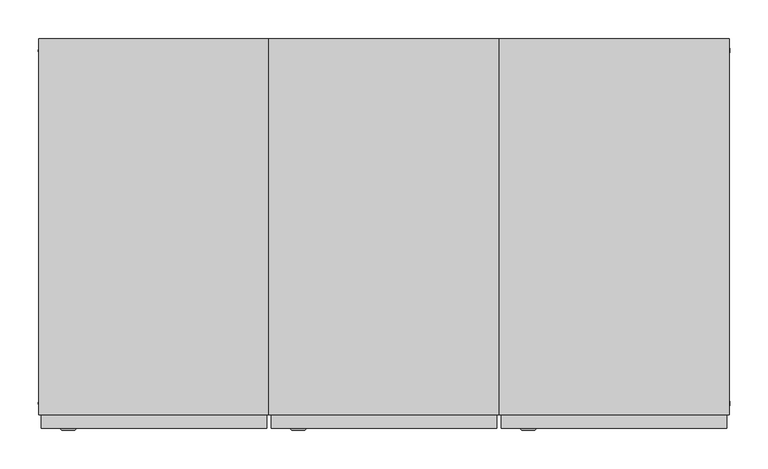
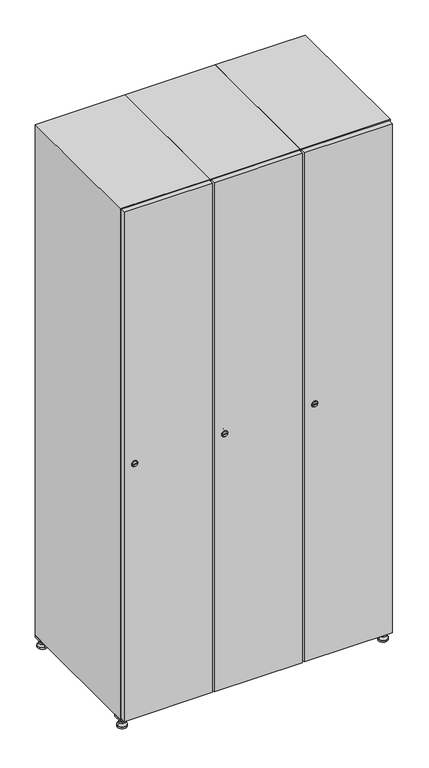
"""IFC4 building model written with IfcOpenShell, lengths in millimetres: furniture geometry."""

from ifc_helpers import new_model, si_unit, point, frame, frame_2d, origin, origin_with_axes, place, context, project, spatial, polyline, circle_curve, trimmed, segment, composite_curve, outline, extrude, faceted_brep, source, transform, mapped, element, save
from ifc_brep_helpers import plane_surface, revolved_surface, advanced_brep


def furniture_101e5d37(model_context):
    return source(origin(), model_context, "Body", "SolidModel", [
        extrude(outline(polyline([(700.0, 245.0), (700.0, 215.0), (670.0, 215.0), (670.0, 245.0), (700.0, 245.0)]), holes=[polyline([(698.0, 243.0), (672.0, 243.0), (672.0, 217.0), (698.0, 217.0), (698.0, 243.0)])]), frame((0.0, 0.0, 28.5), z_axis=(0.0, 0.0, 1.0), x_axis=(1.0, 0.0, 0.0)), (0.0, 0.0, 1.0), 6.5),
        extrude(outline(polyline([(670.0, -245.0), (670.0, -215.0), (700.0, -215.0), (700.0, -245.0), (670.0, -245.0)]), holes=[polyline([(672.0, -243.0), (698.0, -243.0), (698.0, -217.0), (672.0, -217.0), (672.0, -243.0)])]), frame((0.0, 0.0, 28.5), z_axis=(0.0, 0.0, 1.0), x_axis=(1.0, 0.0, 0.0)), (0.0, 0.0, 1.0), 6.5),
        extrude(outline(polyline([(-170.0, 245.0), (-170.0, 215.0), (-200.0, 215.0), (-200.0, 245.0), (-170.0, 245.0)]), holes=[polyline([(-172.0, 243.0), (-198.0, 243.0), (-198.0, 217.0), (-172.0, 217.0), (-172.0, 243.0)])]), frame((0.0, 0.0, 28.5), z_axis=(0.0, 0.0, 1.0), x_axis=(1.0, 0.0, 0.0)), (0.0, 0.0, 1.0), 6.5),
        extrude(outline(polyline([(-170.0, -215.0), (-170.0, -245.0), (-200.0, -245.0), (-200.0, -215.0), (-170.0, -215.0)]), holes=[polyline([(-198.0, -243.0), (-172.0, -243.0), (-172.0, -217.0), (-198.0, -217.0), (-198.0, -243.0)])]), frame((0.0, 0.0, 28.5), z_axis=(0.0, 0.0, 1.0), x_axis=(1.0, 0.0, 0.0)), (0.0, 0.0, 1.0), 6.5),
        extrude(outline(composite_curve([segment(trimmed(circle_curve(frame_2d((-185.0, 230.0)), 5.0), [point((-180.0, 230.0))], [point((-190.0, 230.0))], False, "CARTESIAN"), True, "CONTINUOUS"), segment(trimmed(circle_curve(frame_2d((-185.0, 230.0)), 5.0), [point((-190.0, 230.0))], [point((-180.0, 230.0))], False, "CARTESIAN"), True, "CONTINUOUS")], self_intersect=False)), frame((0.0, 0.0, 19.6), z_axis=(0.0, 0.0, 1.0), x_axis=(1.0, 0.0, 0.0)), (0.0, 0.0, 1.0), 15.4),
        extrude(outline(composite_curve([segment(trimmed(circle_curve(frame_2d((-185.0, -230.0)), 5.0), [point((-180.0, -230.0))], [point((-190.0, -230.0))], False, "CARTESIAN"), True, "CONTINUOUS"), segment(trimmed(circle_curve(frame_2d((-185.0, -230.0)), 5.0), [point((-190.0, -230.0))], [point((-180.0, -230.0))], False, "CARTESIAN"), True, "CONTINUOUS")], self_intersect=False)), frame((0.0, 0.0, 19.6), z_axis=(0.0, 0.0, 1.0), x_axis=(1.0, 0.0, 0.0)), (0.0, 0.0, 1.0), 15.4),
        extrude(outline(composite_curve([segment(trimmed(circle_curve(frame_2d((685.0, 230.0)), 5.0), [point((690.0, 230.0))], [point((680.0, 230.0))], False, "CARTESIAN"), True, "CONTINUOUS"), segment(trimmed(circle_curve(frame_2d((685.0, 230.0)), 5.0), [point((680.0, 230.0))], [point((690.0, 230.0))], False, "CARTESIAN"), True, "CONTINUOUS")], self_intersect=False)), frame((0.0, 0.0, 19.6), z_axis=(0.0, 0.0, 1.0), x_axis=(1.0, 0.0, 0.0)), (0.0, 0.0, 1.0), 15.4),
        extrude(outline(polyline([(673.4529946, 230.0), (679.2264973, 240.0), (690.7735027, 240.0), (696.5470054, 230.0), (690.7735027, 220.0), (679.2264973, 220.0), (673.4529946, 230.0)])), frame((0.0, 0.0, 13.6), z_axis=(0.0, 0.0, 1.0), x_axis=(1.0, 0.0, 0.0)), (0.0, 0.0, 1.0), 6.0),
        extrude(outline(composite_curve([segment(trimmed(circle_curve(frame_2d((685.0, -230.0)), 5.0), [point((690.0, -230.0))], [point((680.0, -230.0))], False, "CARTESIAN"), True, "CONTINUOUS"), segment(trimmed(circle_curve(frame_2d((685.0, -230.0)), 5.0), [point((680.0, -230.0))], [point((690.0, -230.0))], False, "CARTESIAN"), True, "CONTINUOUS")], self_intersect=False)), frame((0.0, 0.0, 19.6), z_axis=(0.0, 0.0, 1.0), x_axis=(1.0, 0.0, 0.0)), (0.0, 0.0, 1.0), 15.4),
        extrude(outline(polyline([(673.4529946, -230.0), (679.2264973, -220.0), (690.7735027, -220.0), (696.5470054, -230.0), (690.7735027, -240.0), (679.2264973, -240.0), (673.4529946, -230.0)])), frame((0.0, 0.0, 13.6), z_axis=(0.0, 0.0, 1.0), x_axis=(1.0, 0.0, 0.0)), (0.0, 0.0, 1.0), 6.0),
        extrude(outline(composite_curve([segment(trimmed(circle_curve(frame_2d((685.0, 230.0)), 5.0), [point((690.0, 230.0))], [point((680.0, 230.0))], False, "CARTESIAN"), True, "CONTINUOUS"), segment(trimmed(circle_curve(frame_2d((685.0, 230.0)), 5.0), [point((680.0, 230.0))], [point((690.0, 230.0))], False, "CARTESIAN"), True, "CONTINUOUS")], self_intersect=False)), frame((0.0, 0.0, 12.1), z_axis=(0.0, 0.0, 1.0), x_axis=(1.0, 0.0, 0.0)), (0.0, 0.0, 1.0), 1.5),
        extrude(outline(composite_curve([segment(trimmed(circle_curve(frame_2d((685.0, -230.0)), 5.0), [point((690.0, -230.0))], [point((680.0, -230.0))], False, "CARTESIAN"), True, "CONTINUOUS"), segment(trimmed(circle_curve(frame_2d((685.0, -230.0)), 5.0), [point((680.0, -230.0))], [point((690.0, -230.0))], False, "CARTESIAN"), True, "CONTINUOUS")], self_intersect=False)), frame((0.0, 0.0, 12.1), z_axis=(0.0, 0.0, 1.0), x_axis=(1.0, 0.0, 0.0)), (0.0, 0.0, 1.0), 1.5),
        extrude(outline(polyline([(-196.5470054, 230.0), (-190.7735027, 240.0), (-179.2264973, 240.0), (-173.4529946, 230.0), (-179.2264973, 220.0), (-190.7735027, 220.0), (-196.5470054, 230.0)])), frame((0.0, 0.0, 13.6), z_axis=(0.0, 0.0, 1.0), x_axis=(1.0, 0.0, 0.0)), (0.0, 0.0, 1.0), 6.0),
        extrude(outline(polyline([(-196.5470054, -230.0), (-190.7735027, -220.0), (-179.2264973, -220.0), (-173.4529946, -230.0), (-179.2264973, -240.0), (-190.7735027, -240.0), (-196.5470054, -230.0)])), frame((0.0, 0.0, 13.6), z_axis=(0.0, 0.0, 1.0), x_axis=(1.0, 0.0, 0.0)), (0.0, 0.0, 1.0), 6.0),
        extrude(outline(composite_curve([segment(trimmed(circle_curve(frame_2d((-185.0, 230.0)), 5.0), [point((-185.0, 235.0))], [point((-185.0, 225.0))], False, "CARTESIAN"), True, "CONTINUOUS"), segment(trimmed(circle_curve(frame_2d((-185.0, 230.0)), 5.0), [point((-185.0, 225.0))], [point((-185.0, 235.0))], False, "CARTESIAN"), True, "CONTINUOUS")], self_intersect=False)), frame((0.0, 0.0, 12.1), z_axis=(0.0, 0.0, 1.0), x_axis=(1.0, 0.0, 0.0)), (0.0, 0.0, 1.0), 1.5),
        extrude(outline(composite_curve([segment(trimmed(circle_curve(frame_2d((-185.0, -230.0)), 5.0), [point((-180.0, -230.0))], [point((-190.0, -230.0))], False, "CARTESIAN"), True, "CONTINUOUS"), segment(trimmed(circle_curve(frame_2d((-185.0, -230.0)), 5.0), [point((-190.0, -230.0))], [point((-180.0, -230.0))], False, "CARTESIAN"), True, "CONTINUOUS")], self_intersect=False)), frame((0.0, 0.0, 12.1), z_axis=(0.0, 0.0, 1.0), x_axis=(1.0, 0.0, 0.0)), (0.0, 0.0, 1.0), 1.5),
        extrude(outline(composite_curve([segment(trimmed(circle_curve(frame_2d((685.0, 230.0)), 15.75), [point((700.75, 230.0))], [point((669.25, 230.0))], False, "CARTESIAN"), True, "CONTINUOUS"), segment(trimmed(circle_curve(frame_2d((685.0, 230.0)), 15.75), [point((669.25, 230.0))], [point((700.75, 230.0))], False, "CARTESIAN"), True, "CONTINUOUS")], self_intersect=False)), origin_with_axes(), (0.0, 0.0, 1.0), 5.1),
        extrude(outline(composite_curve([segment(trimmed(circle_curve(frame_2d((685.0, -230.0)), 15.75), [point((685.0, -214.25))], [point((685.0, -245.75))], False, "CARTESIAN"), True, "CONTINUOUS"), segment(trimmed(circle_curve(frame_2d((685.0, -230.0)), 15.75), [point((685.0, -245.75))], [point((685.0, -214.25))], False, "CARTESIAN"), True, "CONTINUOUS")], self_intersect=False)), origin_with_axes(), (0.0, 0.0, 1.0), 5.1),
        extrude(outline(composite_curve([segment(trimmed(circle_curve(frame_2d((-185.0, -230.0)), 15.75), [point((-169.25, -230.0))], [point((-200.75, -230.0))], False, "CARTESIAN"), True, "CONTINUOUS"), segment(trimmed(circle_curve(frame_2d((-185.0, -230.0)), 15.75), [point((-200.75, -230.0))], [point((-169.25, -230.0))], False, "CARTESIAN"), True, "CONTINUOUS")], self_intersect=False)), origin_with_axes(), (0.0, 0.0, 1.0), 5.1),
        extrude(outline(composite_curve([segment(trimmed(circle_curve(frame_2d((-185.0, 230.0)), 15.75), [point((-169.25, 230.0))], [point((-200.75, 230.0))], False, "CARTESIAN"), True, "CONTINUOUS"), segment(trimmed(circle_curve(frame_2d((-185.0, 230.0)), 15.75), [point((-200.75, 230.0))], [point((-169.25, 230.0))], False, "CARTESIAN"), True, "CONTINUOUS")], self_intersect=False)), origin_with_axes(), (0.0, 0.0, 1.0), 5.1),
        advanced_brep(
        [(-185.0, 239.5, 12.1), (-185.0, 220.5, 12.1), (-185.0, 214.25, 5.1), (-185.0, 245.75, 5.1)],
        [
            (0, 1, circle_curve(frame((-185.0, 230.0, 12.1), z_axis=(0.0, 0.0, -1.0), x_axis=(0.0, 1.0, 0.0)), 9.5)),
            (1, 2),
            (2, 3, circle_curve(frame((-185.0, 230.0, 5.1), z_axis=(0.0, 0.0, 1.0), x_axis=(0.0, 1.0, 0.0)), 15.75)),
            (3, 0),
            (1, 0, circle_curve(frame((-185.0, 230.0, 12.1), z_axis=(0.0, 0.0, -1.0), x_axis=(0.0, -1.0, 0.0)), 9.5)),
            (3, 2, circle_curve(frame((-185.0, 230.0, 5.1), z_axis=(0.0, 0.0, 1.0), x_axis=(0.0, -1.0, 0.0)), 15.75)),
        ],
        [
            revolved_surface(polyline([(-185.0, 220.5, 12.099999999999998), (-185.0, 214.25, 5.099999999999998)]), (-185.0, 230.0, 22.74), (0.0, 0.0, -1.0)),
            revolved_surface(polyline([(-185.0, 239.5, 12.099999999999998), (-185.0, 245.75, 5.099999999999998)]), (-185.0, 230.0, 22.74), (0.0, 0.0, -1.0)),
            plane_surface(frame((-185.0, 230.0, 5.1), z_axis=(0.0, 0.0, -1.0), x_axis=(1.0, 0.0, 0.0))),
            plane_surface(frame((-185.0, 230.0, 12.1), z_axis=(0.0, 0.0, 1.0), x_axis=(1.0, 0.0, 0.0))),
        ],
        [
            (0, [[1, 2, 3, 4]]),
            (1, [[5, -4, 6, -2]]),
            (2, [[-3, -6]]),
            (3, [[-5, -1]]),
        ],
    ),
        advanced_brep(
        [(685.0, 239.5, 12.1), (685.0, 220.5, 12.1), (685.0, 214.25, 5.1), (685.0, 245.75, 5.1)],
        [
            (0, 1, circle_curve(frame((685.0, 230.0, 12.1), z_axis=(0.0, 0.0, -1.0), x_axis=(0.0, 1.0, 0.0)), 9.5)),
            (1, 2),
            (2, 3, circle_curve(frame((685.0, 230.0, 5.1), z_axis=(0.0, 0.0, 1.0), x_axis=(0.0, 1.0, 0.0)), 15.75)),
            (3, 0),
            (1, 0, circle_curve(frame((685.0, 230.0, 12.1), z_axis=(0.0, 0.0, -1.0), x_axis=(0.0, -1.0, 0.0)), 9.5)),
            (3, 2, circle_curve(frame((685.0, 230.0, 5.1), z_axis=(0.0, 0.0, 1.0), x_axis=(0.0, -1.0, 0.0)), 15.75)),
        ],
        [
            revolved_surface(polyline([(685.0, 220.5, 12.099999999999998), (685.0, 214.25, 5.099999999999998)]), (685.0, 230.0, 22.74), (0.0, 0.0, -1.0)),
            revolved_surface(polyline([(685.0, 239.5, 12.099999999999998), (685.0, 245.75, 5.099999999999998)]), (685.0, 230.0, 22.74), (0.0, 0.0, -1.0)),
            plane_surface(frame((685.0, 230.0, 5.1), z_axis=(0.0, 0.0, -1.0), x_axis=(1.0, 0.0, 0.0))),
            plane_surface(frame((685.0, 230.0, 12.1), z_axis=(0.0, 0.0, 1.0), x_axis=(1.0, 0.0, 0.0))),
        ],
        [
            (0, [[1, 2, 3, 4]]),
            (1, [[5, -4, 6, -2]]),
            (2, [[-3, -6]]),
            (3, [[-5, -1]]),
        ],
    ),
        advanced_brep(
        [(700.75, -230.0, 5.1), (669.25, -230.0, 5.1), (675.5, -230.0, 12.1), (694.5, -230.0, 12.1)],
        [
            (0, 1, circle_curve(frame((685.0, -230.0, 5.1), z_axis=(0.0, 0.0, 1.0), x_axis=(1.0, 0.0, 0.0)), 15.75)),
            (1, 2),
            (2, 3, circle_curve(frame((685.0, -230.0, 12.1), z_axis=(0.0, 0.0, -1.0), x_axis=(1.0, 0.0, 0.0)), 9.5)),
            (3, 0),
            (1, 0, circle_curve(frame((685.0, -230.0, 5.1), z_axis=(0.0, 0.0, 1.0), x_axis=(-1.0, 0.0, 0.0)), 15.75)),
            (3, 2, circle_curve(frame((685.0, -230.0, 12.1), z_axis=(0.0, 0.0, -1.0), x_axis=(-1.0, 0.0, 0.0)), 9.5)),
        ],
        [
            revolved_surface(polyline([(694.5, -230.0, 12.099999999999998), (700.75, -230.0, 5.099999999999998)]), (685.0, -230.0, 22.74), (0.0, 0.0, -1.0)),
            revolved_surface(polyline([(675.5, -230.0, 12.099999999999998), (669.25, -230.0, 5.099999999999998)]), (685.0, -230.0, 22.74), (0.0, 0.0, -1.0)),
            plane_surface(frame((685.0, -230.0, 12.1), z_axis=(0.0, 0.0, 1.0), x_axis=(0.0, 1.0, 0.0))),
            plane_surface(frame((685.0, -230.0, 5.1), z_axis=(0.0, 0.0, -1.0), x_axis=(0.0, 1.0, 0.0))),
        ],
        [
            (0, [[1, 2, 3, 4]]),
            (1, [[5, -4, 6, -2]]),
            (2, [[-3, -6]]),
            (3, [[-5, -1]]),
        ],
    ),
        advanced_brep(
        [(-169.25, -230.0, 5.1), (-200.75, -230.0, 5.1), (-194.5, -230.0, 12.1), (-175.5, -230.0, 12.1)],
        [
            (0, 1, circle_curve(frame((-185.0, -230.0, 5.1), z_axis=(0.0, 0.0, 1.0), x_axis=(1.0, 0.0, 0.0)), 15.75)),
            (1, 2),
            (2, 3, circle_curve(frame((-185.0, -230.0, 12.1), z_axis=(0.0, 0.0, -1.0), x_axis=(1.0, 0.0, 0.0)), 9.5)),
            (3, 0),
            (1, 0, circle_curve(frame((-185.0, -230.0, 5.1), z_axis=(0.0, 0.0, 1.0), x_axis=(-1.0, 0.0, 0.0)), 15.75)),
            (3, 2, circle_curve(frame((-185.0, -230.0, 12.1), z_axis=(0.0, 0.0, -1.0), x_axis=(-1.0, 0.0, 0.0)), 9.5)),
        ],
        [
            revolved_surface(polyline([(-175.5, -230.0, 12.099999999999998), (-169.25, -230.0, 5.099999999999998)]), (-185.0, -230.0, 22.74), (0.0, 0.0, -1.0)),
            revolved_surface(polyline([(-194.5, -230.0, 12.099999999999998), (-200.75, -230.0, 5.099999999999998)]), (-185.0, -230.0, 22.74), (0.0, 0.0, -1.0)),
            plane_surface(frame((-185.0, -230.0, 12.1), z_axis=(0.0, 0.0, 1.0), x_axis=(0.0, 1.0, 0.0))),
            plane_surface(frame((-185.0, -230.0, 5.1), z_axis=(0.0, 0.0, -1.0), x_axis=(0.0, 1.0, 0.0))),
        ],
        [
            (0, [[1, 2, 3, 4]]),
            (1, [[5, -4, 6, -2]]),
            (2, [[-3, -6]]),
            (3, [[-5, -1]]),
        ],
    ),
        extrude(outline(composite_curve([segment(trimmed(circle_curve(frame_2d((935.0, 411.2010534)), 7.0), [point((942.0, 411.2010534))], [point((928.0, 411.2010534))], False, "CARTESIAN"), True, "CONTINUOUS"), segment(polyline([(928.0, 411.2010534), (928.0, 439.2010534)]), True, "CONTINUOUS"), segment(trimmed(circle_curve(frame_2d((935.0, 439.2010534)), 7.0), [point((928.0, 439.2010534))], [point((942.0, 439.2010534))], False, "CARTESIAN"), True, "CONTINUOUS"), segment(polyline([(942.0, 439.2010534), (942.0, 411.2010534)]), True, "CONTINUOUS")], self_intersect=False)), frame((0.0, -245.0, 0.0), z_axis=(0.0, 1.0, 0.0), x_axis=(0.0, 0.0, 1.0)), (0.0, 0.0, 1.0), 2.0),
        advanced_brep(
        [(446.5, -265.2, 935.0), (429.5, -265.2, 935.0), (433.0, -265.2, 933.75), (433.0, -265.2, 936.25), (443.0, -265.2, 936.25), (443.0, -265.2, 933.75), (448.5, -263.0, 935.0), (427.5, -263.0, 935.0), (433.0, -263.0, 936.25), (433.0, -263.0, 933.75), (443.0, -263.0, 933.75), (443.0, -263.0, 936.25)],
        [
            (0, 1, circle_curve(frame((438.0, -265.2, 935.0), z_axis=(0.0, -1.0, 0.0), x_axis=(1.0, 0.0, 0.0)), 8.5)),
            (1, 0, circle_curve(frame((438.0, -265.2, 935.0), z_axis=(0.0, -1.0, 0.0), x_axis=(-1.0, 0.0, 0.0)), 8.5)),
            (2, 3),
            (3, 4),
            (4, 5),
            (5, 2),
            (6, 7, circle_curve(frame((438.0, -263.0, 935.0), z_axis=(0.0, 1.0, 0.0), x_axis=(-1.0, 0.0, 0.0)), 10.5)),
            (7, 6, circle_curve(frame((438.0, -263.0, 935.0), z_axis=(0.0, 1.0, 0.0), x_axis=(1.0, 0.0, 0.0)), 10.5)),
            (8, 9),
            (9, 10),
            (10, 11),
            (11, 8),
            (0, 6),
            (7, 1),
            (8, 3),
            (2, 9),
            (11, 4),
            (10, 5),
        ],
        [
            plane_surface(frame((438.0, -265.2, 935.0), z_axis=(0.0, -1.0, 0.0), x_axis=(0.0, 0.0, 1.0))),
            plane_surface(frame((438.0, -263.0, 935.0), z_axis=(0.0, 1.0, 0.0), x_axis=(0.0, 0.0, 1.0))),
            revolved_surface(polyline([(446.5, -265.2, 935.0), (448.5, -263.0, 935.0)]), (438.0, -274.55, 935.0), (0.0, 1.0, 0.0)),
            revolved_surface(polyline([(429.5, -265.2, 935.0), (427.5, -263.0, 935.0)]), (438.0, -274.55, 935.0), (0.0, 1.0, 0.0)),
            plane_surface(frame((433.0, -263.0, 933.75), z_axis=(1.0, 0.0, 0.0), x_axis=(0.0, -1.0, 0.0))),
            plane_surface(frame((433.0, -263.0, 936.25), z_axis=(0.0, 0.0, -1.0), x_axis=(0.0, -1.0, 0.0))),
            plane_surface(frame((443.0, -263.0, 936.25), z_axis=(-1.0, 0.0, 0.0), x_axis=(0.0, -1.0, 0.0))),
            plane_surface(frame((443.0, -263.0, 933.75), z_axis=(0.0, 0.0, 1.0), x_axis=(0.0, -1.0, 0.0))),
        ],
        [
            (0, [[1, 2], [3, 4, 5, 6]]),
            (1, [[7, 8], [9, 10, 11, 12]]),
            (2, [[-1, 13, -8, 14]]),
            (3, [[-2, -14, -7, -13]]),
            (4, [[15, -3, 16, -9]]),
            (5, [[-15, -12, 17, -4]]),
            (6, [[-17, -11, 18, -5]]),
            (7, [[-16, -6, -18, -10]]),
        ],
    ),
        extrude(outline(polyline([(697.0, -245.0), (697.0, -263.0), (403.0, -263.0), (403.0, -245.0), (697.0, -245.0)])), frame((0.0, 0.0, 38.0), z_axis=(0.0, 0.0, 1.0), x_axis=(1.0, 0.0, 0.0)), (0.0, 0.0, 1.0), 1794.0),
        faceted_brep([(700.0, -245.0, 35.0), (700.0, -245.0, 1835.0), (400.0, -245.0, 1835.0), (400.0, -245.0, 35.0), (679.6, -245.0, 1804.8), (679.6, -245.0, 65.2), (420.4, -245.0, 65.2), (420.4, -245.0, 1804.8), (700.0, 245.0, 35.0), (400.0, 245.0, 35.0), (700.0, 245.0, 1835.0), (400.0, 245.0, 1835.0), (679.6, 242.0, 1804.8), (679.6, 242.0, 65.2), (400.0, 245.0, 1804.8), (420.4, 242.0, 1804.8), (420.4, 242.0, 65.2)], [[[0, 1, 2, 3], [4, 5, 6, 7]], [[8, 0, 3, 9]], [[1, 0, 8, 10]], [[1, 10, 11, 2]], [[4, 12, 13, 5]], [[9, 3, 2, 11, 14]], [[10, 8, 9, 14, 11]], [[12, 15, 16, 13]], [[15, 7, 6, 16]], [[4, 7, 15, 12]], [[6, 5, 13, 16]]]),
        extrude(outline(composite_curve([segment(trimmed(circle_curve(frame_2d((935.0, 111.2010534)), 7.0), [point((942.0, 111.2010534))], [point((928.0, 111.2010534))], False, "CARTESIAN"), True, "CONTINUOUS"), segment(polyline([(928.0, 111.2010534), (928.0, 139.2010534)]), True, "CONTINUOUS"), segment(trimmed(circle_curve(frame_2d((935.0, 139.2010534)), 7.0), [point((928.0, 139.2010534))], [point((942.0, 139.2010534))], False, "CARTESIAN"), True, "CONTINUOUS"), segment(polyline([(942.0, 139.2010534), (942.0, 111.2010534)]), True, "CONTINUOUS")], self_intersect=False)), frame((0.0, -245.0, 0.0), z_axis=(0.0, 1.0, 0.0), x_axis=(0.0, 0.0, 1.0)), (0.0, 0.0, 1.0), 2.0),
        advanced_brep(
        [(146.5, -265.2, 935.0), (129.5, -265.2, 935.0), (133.0, -265.2, 933.75), (133.0, -265.2, 936.25), (143.0, -265.2, 936.25), (143.0, -265.2, 933.75), (148.5, -263.0, 935.0), (127.5, -263.0, 935.0), (133.0, -263.0, 936.25), (133.0, -263.0, 933.75), (143.0, -263.0, 933.75), (143.0, -263.0, 936.25)],
        [
            (0, 1, circle_curve(frame((138.0, -265.2, 935.0), z_axis=(0.0, -1.0, 0.0), x_axis=(1.0, 0.0, 0.0)), 8.5)),
            (1, 0, circle_curve(frame((138.0, -265.2, 935.0), z_axis=(0.0, -1.0, 0.0), x_axis=(-1.0, 0.0, 0.0)), 8.5)),
            (2, 3),
            (3, 4),
            (4, 5),
            (5, 2),
            (6, 7, circle_curve(frame((138.0, -263.0, 935.0), z_axis=(0.0, 1.0, 0.0), x_axis=(-1.0, 0.0, 0.0)), 10.5)),
            (7, 6, circle_curve(frame((138.0, -263.0, 935.0), z_axis=(0.0, 1.0, 0.0), x_axis=(1.0, 0.0, 0.0)), 10.5)),
            (8, 9),
            (9, 10),
            (10, 11),
            (11, 8),
            (0, 6),
            (7, 1),
            (8, 3),
            (2, 9),
            (11, 4),
            (10, 5),
        ],
        [
            plane_surface(frame((138.0, -265.2, 935.0), z_axis=(0.0, -1.0, 0.0), x_axis=(0.0, 0.0, 1.0))),
            plane_surface(frame((138.0, -263.0, 935.0), z_axis=(0.0, 1.0, 0.0), x_axis=(0.0, 0.0, 1.0))),
            revolved_surface(polyline([(146.5, -265.2, 935.0), (148.5, -263.0, 935.0)]), (138.0, -274.55, 935.0), (0.0, 1.0, 0.0)),
            revolved_surface(polyline([(129.5, -265.2, 935.0), (127.5, -263.0, 935.0)]), (138.0, -274.55, 935.0), (0.0, 1.0, 0.0)),
            plane_surface(frame((133.0, -263.0, 933.75), z_axis=(1.0, 0.0, 0.0), x_axis=(0.0, -1.0, 0.0))),
            plane_surface(frame((133.0, -263.0, 936.25), z_axis=(0.0, 0.0, -1.0), x_axis=(0.0, -1.0, 0.0))),
            plane_surface(frame((143.0, -263.0, 936.25), z_axis=(-1.0, 0.0, 0.0), x_axis=(0.0, -1.0, 0.0))),
            plane_surface(frame((143.0, -263.0, 933.75), z_axis=(0.0, 0.0, 1.0), x_axis=(0.0, -1.0, 0.0))),
        ],
        [
            (0, [[1, 2], [3, 4, 5, 6]]),
            (1, [[7, 8], [9, 10, 11, 12]]),
            (2, [[-1, 13, -8, 14]]),
            (3, [[-2, -14, -7, -13]]),
            (4, [[15, -3, 16, -9]]),
            (5, [[-15, -12, 17, -4]]),
            (6, [[-17, -11, 18, -5]]),
            (7, [[-16, -6, -18, -10]]),
        ],
    ),
        extrude(outline(polyline([(397.0, -245.0), (397.0, -263.0), (103.0, -263.0), (103.0, -245.0), (397.0, -245.0)])), frame((0.0, 0.0, 38.0), z_axis=(0.0, 0.0, 1.0), x_axis=(1.0, 0.0, 0.0)), (0.0, 0.0, 1.0), 1794.0),
        faceted_brep([(400.0, -245.0, 35.0), (400.0, -245.0, 1835.0), (100.0, -245.0, 1835.0), (100.0, -245.0, 35.0), (379.6, -245.0, 1804.8), (379.6, -245.0, 65.2), (120.4, -245.0, 65.2), (120.4, -245.0, 1804.8), (400.0, 245.0, 35.0), (100.0, 245.0, 35.0), (400.0, 245.0, 1835.0), (100.0, 245.0, 1835.0), (379.6, 242.0, 1804.8), (379.6, 242.0, 65.2), (100.0, 245.0, 1804.8), (120.4, 242.0, 1804.8), (120.4, 242.0, 65.2)], [[[0, 1, 2, 3], [4, 5, 6, 7]], [[8, 0, 3, 9]], [[1, 0, 8, 10]], [[1, 10, 11, 2]], [[4, 12, 13, 5]], [[9, 3, 2, 11, 14]], [[10, 8, 9, 14, 11]], [[12, 15, 16, 13]], [[15, 7, 6, 16]], [[4, 7, 15, 12]], [[6, 5, 13, 16]]]),
        extrude(outline(composite_curve([segment(trimmed(circle_curve(frame_2d((935.0, -188.7989466)), 7.0), [point((942.0, -188.7989466))], [point((928.0, -188.7989466))], False, "CARTESIAN"), True, "CONTINUOUS"), segment(polyline([(928.0, -188.7989466), (928.0, -160.7989466)]), True, "CONTINUOUS"), segment(trimmed(circle_curve(frame_2d((935.0, -160.7989466)), 7.0), [point((928.0, -160.7989466))], [point((942.0, -160.7989466))], False, "CARTESIAN"), True, "CONTINUOUS"), segment(polyline([(942.0, -160.7989466), (942.0, -188.7989466)]), True, "CONTINUOUS")], self_intersect=False)), frame((0.0, -245.0, 0.0), z_axis=(0.0, 1.0, 0.0), x_axis=(0.0, 0.0, 1.0)), (0.0, 0.0, 1.0), 2.0),
        advanced_brep(
        [(-153.5, -265.2, 935.0), (-170.5, -265.2, 935.0), (-167.0, -265.2, 933.75), (-167.0, -265.2, 936.25), (-157.0, -265.2, 936.25), (-157.0, -265.2, 933.75), (-151.5, -263.0, 935.0), (-172.5, -263.0, 935.0), (-167.0, -263.0, 936.25), (-167.0, -263.0, 933.75), (-157.0, -263.0, 933.75), (-157.0, -263.0, 936.25)],
        [
            (0, 1, circle_curve(frame((-162.0, -265.2, 935.0), z_axis=(0.0, -1.0, 0.0), x_axis=(1.0, 0.0, 0.0)), 8.5)),
            (1, 0, circle_curve(frame((-162.0, -265.2, 935.0), z_axis=(0.0, -1.0, 0.0), x_axis=(-1.0, 0.0, 0.0)), 8.5)),
            (2, 3),
            (3, 4),
            (4, 5),
            (5, 2),
            (6, 7, circle_curve(frame((-162.0, -263.0, 935.0), z_axis=(0.0, 1.0, 0.0), x_axis=(-1.0, 0.0, 0.0)), 10.5)),
            (7, 6, circle_curve(frame((-162.0, -263.0, 935.0), z_axis=(0.0, 1.0, 0.0), x_axis=(1.0, 0.0, 0.0)), 10.5)),
            (8, 9),
            (9, 10),
            (10, 11),
            (11, 8),
            (0, 6),
            (7, 1),
            (8, 3),
            (2, 9),
            (11, 4),
            (10, 5),
        ],
        [
            plane_surface(frame((-162.0, -265.2, 935.0), z_axis=(0.0, -1.0, 0.0), x_axis=(0.0, 0.0, 1.0))),
            plane_surface(frame((-162.0, -263.0, 935.0), z_axis=(0.0, 1.0, 0.0), x_axis=(0.0, 0.0, 1.0))),
            revolved_surface(polyline([(-153.5, -265.2, 935.0), (-151.5, -263.0, 935.0)]), (-162.0, -274.55, 935.0), (0.0, 1.0, 0.0)),
            revolved_surface(polyline([(-170.5, -265.2, 935.0), (-172.5, -263.0, 935.0)]), (-162.0, -274.55, 935.0), (0.0, 1.0, 0.0)),
            plane_surface(frame((-167.0, -263.0, 933.75), z_axis=(1.0, 0.0, 0.0), x_axis=(0.0, -1.0, 0.0))),
            plane_surface(frame((-167.0, -263.0, 936.25), z_axis=(0.0, 0.0, -1.0), x_axis=(0.0, -1.0, 0.0))),
            plane_surface(frame((-157.0, -263.0, 936.25), z_axis=(-1.0, 0.0, 0.0), x_axis=(0.0, -1.0, 0.0))),
            plane_surface(frame((-157.0, -263.0, 933.75), z_axis=(0.0, 0.0, 1.0), x_axis=(0.0, -1.0, 0.0))),
        ],
        [
            (0, [[1, 2], [3, 4, 5, 6]]),
            (1, [[7, 8], [9, 10, 11, 12]]),
            (2, [[-1, 13, -8, 14]]),
            (3, [[-2, -14, -7, -13]]),
            (4, [[15, -3, 16, -9]]),
            (5, [[-15, -12, 17, -4]]),
            (6, [[-17, -11, 18, -5]]),
            (7, [[-16, -6, -18, -10]]),
        ],
    ),
        extrude(outline(polyline([(97.0, -245.0), (97.0, -263.0), (-197.0, -263.0), (-197.0, -245.0), (97.0, -245.0)])), frame((0.0, 0.0, 38.0), z_axis=(0.0, 0.0, 1.0), x_axis=(1.0, 0.0, 0.0)), (0.0, 0.0, 1.0), 1794.0),
        faceted_brep([(100.0, -245.0, 35.0), (100.0, -245.0, 1835.0), (-200.0, -245.0, 1835.0), (-200.0, -245.0, 35.0), (79.6, -245.0, 1804.8), (79.6, -245.0, 65.2), (-179.6, -245.0, 65.2), (-179.6, -245.0, 1804.8), (100.0, 245.0, 35.0), (-200.0, 245.0, 35.0), (100.0, 245.0, 1835.0), (-200.0, 245.0, 1835.0), (79.6, 242.0, 1804.8), (79.6, 242.0, 65.2), (-200.0, 245.0, 1804.8), (-179.6, 242.0, 1804.8), (-179.6, 242.0, 65.2)], [[[0, 1, 2, 3], [4, 5, 6, 7]], [[8, 0, 3, 9]], [[1, 0, 8, 10]], [[1, 10, 11, 2]], [[4, 12, 13, 5]], [[9, 3, 2, 11, 14]], [[10, 8, 9, 14, 11]], [[12, 15, 16, 13]], [[15, 7, 6, 16]], [[4, 7, 15, 12]], [[6, 5, 13, 16]]]),
    ])


if __name__ == "__main__":
    model = new_model("IFC4")
    model_context = context("Model", 3, world=origin())
    ifc_project = project(units=[si_unit("LENGTHUNIT", "METRE", prefix="MILLI")], contexts=[model_context])
    site = spatial("IfcSite", under=ifc_project)
    building = spatial("IfcBuilding", under=site)
    placement = place(None, origin())
    furniture_shape = furniture_101e5d37(model_context)
    element("IfcFurniture", 1, at=placement, inside=building, context=model_context, shape_type="MappedRepresentation", body=[
        mapped(furniture_shape, transform((0.0, 0.0, 0.0), x_axis=(1.0, 0.0, 0.0), y_axis=(0.0, 1.0, 0.0), z_axis=(0.0, 0.0, 1.0))),
    ])
    save(model, "model.ifc")
